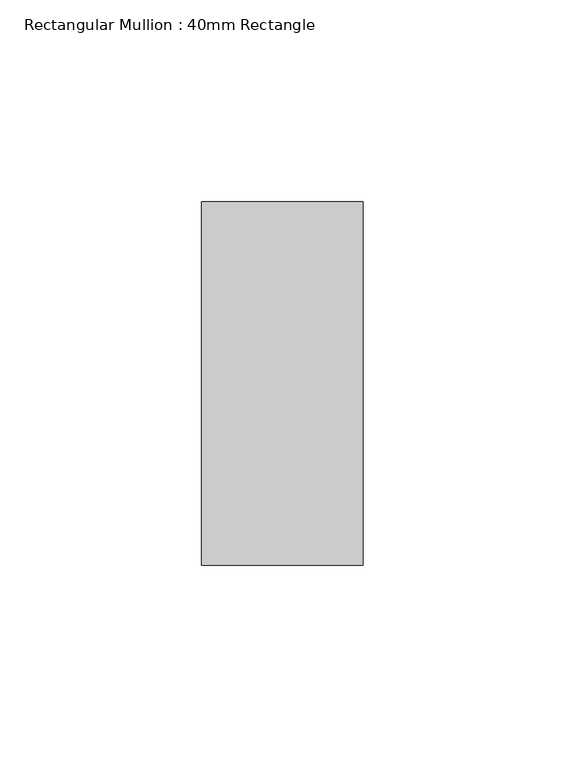
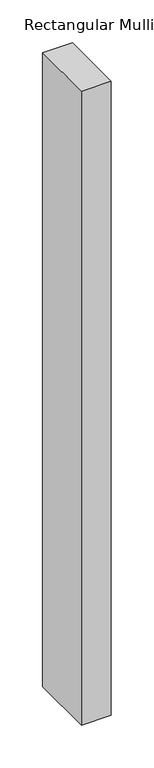
"""IFC4 building model written with IfcOpenShell, lengths in millimetres: member geometry, Rectangular Mullion : 40mm Rectangle."""

import ifcopenshell
import ifcopenshell.guid

model = None  # the IFC model being written
_history = None  # IfcOwnerHistory: only IFC2X3 demands one
_inside = {}  # id of a spatial element -> (the spatial element, [elements in it])
_under = {}  # id of a project, library or spatial element -> (it, [spatial elements below it])
_declared = {}  # id of a project -> (the project, [libraries it declares])
_typed = {}  # id of a type object -> (the type object, [elements of that type])
_made_of = {}  # id of a material, layer set ... -> (it, [elements and type objects made of it])


def new_model(schema):
    """Start an empty IFC model of exactly this schema.

    Asked for "IFC4X3", IfcOpenShell would pick the latest addendum, in which some entities
    have other attributes; the version numbers below select the first issue.
    IFC2X3 requires an IfcOwnerHistory on every rooted entity: one is made here for all.
    """
    global model, _history
    if schema == "IFC4X3":
        model = ifcopenshell.file(schema_version=(4, 3, 0, 0))
    else:
        model = ifcopenshell.file(schema=schema)
    _inside.clear()
    _under.clear()
    _declared.clear()
    _typed.clear()
    _made_of.clear()
    _history = None
    if model.schema == "IFC2X3":
        org = make("IfcOrganization", Name="unknown")
        user = make(
            "IfcPersonAndOrganization",
            ThePerson=make("IfcPerson", FamilyName="unknown"),
            TheOrganization=org,
        )
        app = make(
            "IfcApplication",
            ApplicationDeveloper=org,
            Version="unknown",
            ApplicationFullName="unknown",
            ApplicationIdentifier="unknown",
        )
        _history = make(
            "IfcOwnerHistory",
            OwningUser=user,
            OwningApplication=app,
            ChangeAction="ADDED",
            CreationDate=0,
        )
    return model


def make(cls, **values):
    """One entity of the class cls with the attributes given. An attribute that is None is left unset."""
    return model.create_entity(
        cls, **{name: value for name, value in values.items() if value is not None}
    )


def rooted(cls, **values):
    """An entity with a GlobalId (a new one), such as an element, a storey or a relation."""
    return make(cls, GlobalId=ifcopenshell.guid.new(), OwnerHistory=_history, **values)


def si_unit(unit_type, name, prefix=None):
    """IfcSIUnit, for example si_unit("LENGTHUNIT", "METRE", prefix="MILLI")."""
    return make("IfcSIUnit", UnitType=unit_type, Prefix=prefix, Name=name)


def assignment(units):
    """IfcUnitAssignment: the units of a project."""
    return None if units is None else make("IfcUnitAssignment", Units=units)


def point(xyz):
    """IfcCartesianPoint."""
    return None if xyz is None else make("IfcCartesianPoint", Coordinates=xyz)


def direction(xyz):
    """IfcDirection."""
    return None if xyz is None else make("IfcDirection", DirectionRatios=xyz)


def frame(location, z_axis=None, x_axis=None):
    """IfcAxis2Placement3D, a coordinate frame: its origin and axes. An axis left out is left unset."""
    return make(
        "IfcAxis2Placement3D",
        Location=point(location),
        Axis=direction(z_axis),
        RefDirection=direction(x_axis),
    )


def origin():
    """The frame at (0, 0, 0) with its axes left unset."""
    return frame((0.0, 0.0, 0.0))


def place(relative_to, where):
    """IfcLocalPlacement: puts the frame where relative to a parent placement (None: the world)."""
    return make(
        "IfcLocalPlacement", PlacementRelTo=relative_to, RelativePlacement=where
    )


def context(
    kind, dimensions, precision=None, world=None, true_north=None, identifier=None
):
    """IfcGeometricRepresentationContext, for example the 3D "Model" context."""
    return make(
        "IfcGeometricRepresentationContext",
        ContextIdentifier=identifier,
        ContextType=kind,
        CoordinateSpaceDimension=dimensions,
        Precision=precision,
        WorldCoordinateSystem=world,
        TrueNorth=true_north,
    )


def project(units=None, contexts=None):
    """IfcProject with its units and contexts."""
    return rooted(
        "IfcProject",
        Name="project",
        RepresentationContexts=contexts,
        UnitsInContext=assignment(units),
    )


def spatial(cls, under=None, at=None, **own):
    """A site, building, storey or space (cls), placed at a placement, below another one or the project."""
    s = rooted(cls, ObjectPlacement=at, **own)
    if under is not None:
        _under.setdefault(under.id(), (under, []))[1].append(s)
    return s


def polyline(points):
    """IfcPolyline through the points."""
    return make("IfcPolyline", Points=[point(p) for p in points])


def outline(outer, holes=None, kind="AREA"):
    """IfcArbitraryClosedProfileDef: a profile drawn as a closed curve; with holes, ...WithVoids."""
    if holes is None:
        return make("IfcArbitraryClosedProfileDef", ProfileType=kind, OuterCurve=outer)
    return make(
        "IfcArbitraryProfileDefWithVoids",
        ProfileType=kind,
        OuterCurve=outer,
        InnerCurves=holes,
    )


def extrude(swept, where, along, depth):
    """IfcExtrudedAreaSolid: the profile swept, set in the frame where, extruded along a direction by depth."""
    return make(
        "IfcExtrudedAreaSolid",
        SweptArea=swept,
        Position=where,
        ExtrudedDirection=direction(along),
        Depth=depth,
    )


def shape(context_of_items, identifier, shape_type, items):
    """IfcShapeRepresentation: the items that make up one representation, for example the "Body"."""
    return make(
        "IfcShapeRepresentation",
        ContextOfItems=context_of_items,
        RepresentationIdentifier=identifier,
        RepresentationType=shape_type,
        Items=items,
    )


def source(mapping_origin, context_of_items, identifier, shape_type, items):
    """IfcRepresentationMap: a shape defined once, which mapped items show again and again."""
    return make(
        "IfcRepresentationMap",
        MappingOrigin=mapping_origin,
        MappedRepresentation=shape(context_of_items, identifier, shape_type, items),
    )


def transform(
    local_origin,
    x_axis=None,
    y_axis=None,
    z_axis=None,
    scale=None,
    scale2=None,
    scale3=None,
    uniform=True,
):
    """IfcCartesianTransformationOperator3D, or its non-uniform kind. x_axis, y_axis, z_axis: its Axis1, 2, 3."""
    if uniform:
        return make(
            "IfcCartesianTransformationOperator3D",
            Axis1=direction(x_axis),
            Axis2=direction(y_axis),
            LocalOrigin=point(local_origin),
            Scale=scale,
            Axis3=direction(z_axis),
        )
    return make(
        "IfcCartesianTransformationOperator3DnonUniform",
        Axis1=direction(x_axis),
        Axis2=direction(y_axis),
        LocalOrigin=point(local_origin),
        Scale=scale,
        Axis3=direction(z_axis),
        Scale2=scale2,
        Scale3=scale3,
    )


def mapped(mapping_source, mapping_target):
    """IfcMappedItem: shows the shape of a source again, moved by a transform."""
    return make(
        "IfcMappedItem", MappingSource=mapping_source, MappingTarget=mapping_target
    )


def made_of(thing, what):
    """Note that an element or type object is made of a material, layer set ...; save() writes the relation."""
    if what is not None:
        _made_of.setdefault(what.id(), (what, []))[1].append(thing)
    return thing


def element(
    cls,
    number,
    at=None,
    inside=None,
    cuts=None,
    type_object=None,
    material=None,
    context=None,
    identifier="Body",
    shape_type=None,
    held_by="IfcProductDefinitionShape",
    body=None,
    shapes=None,
    **own,
):
    """One element of the class cls, such as IfcWall. Its Tag is "e" and its number.

    at: its placement. inside: the storey or other place that contains it. cuts: it is an
    opening in that element (IfcRelVoidsElement). A single representation is given by context,
    identifier, shape_type and body (its items); several are given by shapes. held_by: the class
    of the entity that holds the representations. save() writes the other relations.
    """
    e = rooted(cls, Tag="e%d" % number, ObjectPlacement=at, **own)
    if body is not None:
        shapes = [shape(context, identifier, shape_type, body)]
    if shapes is not None:
        e.Representation = make(held_by, Representations=shapes)
    if inside is not None:
        _inside.setdefault(inside.id(), (inside, []))[1].append(e)
    if cuts is not None:
        rooted(
            "IfcRelVoidsElement", RelatingBuildingElement=cuts, RelatedOpeningElement=e
        )
    if type_object is not None:
        _typed.setdefault(type_object.id(), (type_object, []))[1].append(e)
    return made_of(e, material)


def aggregate(whole, parts):
    """IfcRelAggregates: a whole, such as a stair, and the parts it consists of."""
    return rooted("IfcRelAggregates", RelatingObject=whole, RelatedObjects=parts)


def save(model, path):
    """Write the relations noted so far, then the file.

    IfcRelAggregates (storeys below a building ...), IfcRelContainedInSpatialStructure (elements
    in a storey), IfcRelDefinesByType, IfcRelAssociatesMaterial and IfcRelDeclares: one each for
    every whole, place, type object, material and project.
    """
    for whole, parts in _under.values():
        aggregate(whole, parts)
    for where, things in _inside.values():
        rooted(
            "IfcRelContainedInSpatialStructure",
            RelatedElements=things,
            RelatingStructure=where,
        )
    for kind, things in _typed.values():
        rooted("IfcRelDefinesByType", RelatedObjects=things, RelatingType=kind)
    for what, things in _made_of.values():
        rooted("IfcRelAssociatesMaterial", RelatedObjects=things, RelatingMaterial=what)
    for by, libraries in _declared.values():
        rooted("IfcRelDeclares", RelatingContext=by, RelatedDefinitions=libraries)
    model.write(path)


def rectangular_mullion_40mm_rectangle_620e2830(model_context):
    return source(origin(), model_context, "Body", "SweptSolid", [
        extrude(outline(polyline([(-40.0, 45.0), (0.0, 45.0), (0.0, -45.0), (-40.0, -45.0), (-40.0, 45.0)])), frame((0.0, 0.0, -900.0), z_axis=(0.0, 0.0, 1.0), x_axis=(1.0, 0.0, 0.0)), (0.0, 0.0, 1.0), 900.0),
    ])


if __name__ == "__main__":
    model = new_model("IFC4")
    model_context = context("Model", 3, world=origin())
    ifc_project = project(units=[si_unit("LENGTHUNIT", "METRE", prefix="MILLI")], contexts=[model_context])
    site = spatial("IfcSite", under=ifc_project)
    building = spatial("IfcBuilding", under=site)
    placement = place(None, origin())
    rectangular_mullion_40mm_rectangle_shape = rectangular_mullion_40mm_rectangle_620e2830(model_context)
    element("IfcMember", 1, ObjectType="Rectangular Mullion : 40mm Rectangle", at=placement, inside=building, context=model_context, shape_type="MappedRepresentation", body=[
        mapped(rectangular_mullion_40mm_rectangle_shape, transform((0.0, 0.0, 0.0), x_axis=(1.0, 0.0, 0.0), y_axis=(0.0, 1.0, 0.0), z_axis=(0.0, 0.0, 1.0))),
    ])
    save(model, "model.ifc")
